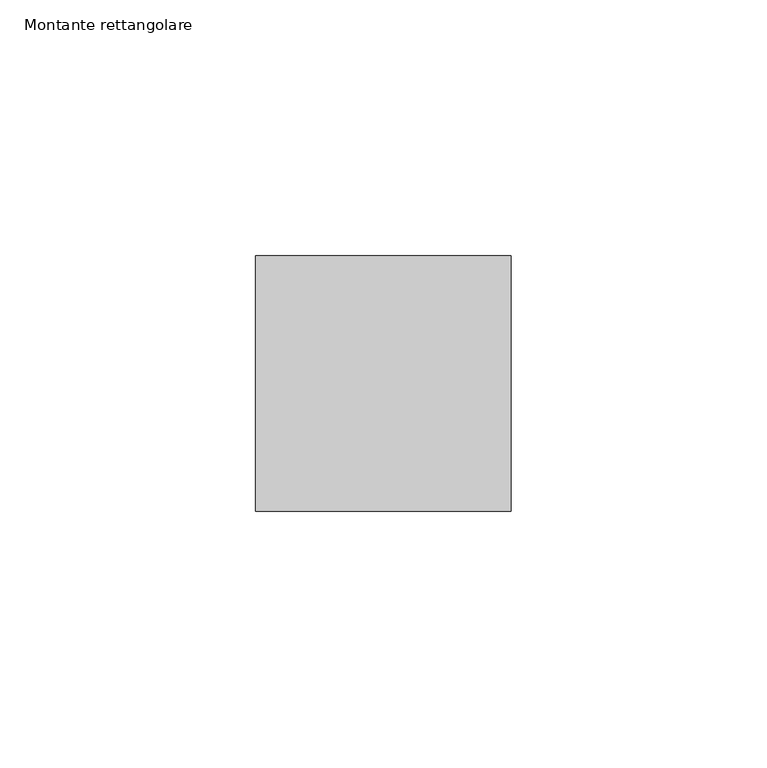
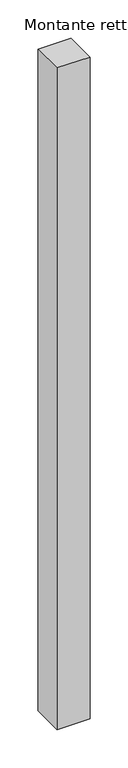
"""IFC4 building model written with IfcOpenShell, lengths in millimetres: member geometry, Montante rettangolare."""

from ifc_helpers import new_model, si_unit, frame, origin, place, context, project, spatial, polyline, outline, extrude, source, transform, mapped, element, save


def montante_rettangolare_e599ad1d(model_context):
    return source(origin(), model_context, "Body", "SweptSolid", [
        extrude(outline(polyline([(0.0, 25.0), (0.0, -25.0), (-50.0, -25.0), (-50.0, 25.0), (0.0, 25.0)])), frame((0.0, 0.0, -1060.0), z_axis=(0.0, 0.0, 1.0), x_axis=(1.0, 0.0, 0.0)), (0.0, 0.0, 1.0), 1060.0),
    ])


if __name__ == "__main__":
    model = new_model("IFC4")
    model_context = context("Model", 3, world=origin())
    ifc_project = project(units=[si_unit("LENGTHUNIT", "METRE", prefix="MILLI")], contexts=[model_context])
    site = spatial("IfcSite", under=ifc_project)
    building = spatial("IfcBuilding", under=site)
    placement = place(None, origin())
    montante_rettangolare_shape = montante_rettangolare_e599ad1d(model_context)
    element("IfcMember", 1, ObjectType="Montante rettangolare", at=placement, inside=building, context=model_context, shape_type="MappedRepresentation", body=[
        mapped(montante_rettangolare_shape, transform((0.0, 0.0, 0.0), x_axis=(1.0, 0.0, 0.0), y_axis=(0.0, 1.0, 0.0), z_axis=(0.0, 0.0, 1.0))),
    ])
    save(model, "model.ifc")
